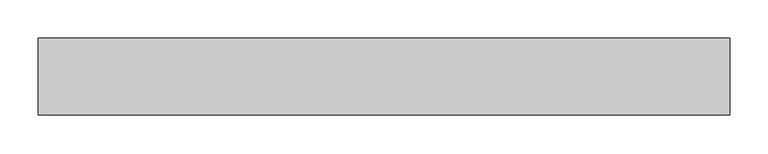
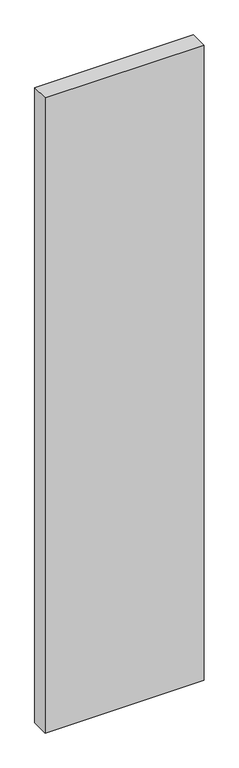
"""IFC4 building model written with IfcOpenShell, lengths in millimetres: proxy geometry."""

from ifc_helpers import new_model, si_unit, frame, origin, place, context, project, spatial, polyline, outline, extrude, source, transform, mapped, element, save


def generic_models_13878b0a(model_context):
    return source(origin(), model_context, "Body", "SweptSolid", [
        extrude(outline(polyline([(900.0, 100.0), (900.0, 0.0), (0.0, 0.0), (0.0, 100.0), (900.0, 100.0)])), frame((0.0, 0.0, -3800.0), z_axis=(0.0, 0.0, 1.0), x_axis=(1.0, 0.0, 0.0)), (0.0, 0.0, 1.0), 3800.0),
    ])


if __name__ == "__main__":
    model = new_model("IFC4")
    model_context = context("Model", 3, world=origin())
    ifc_project = project(units=[si_unit("LENGTHUNIT", "METRE", prefix="MILLI")], contexts=[model_context])
    site = spatial("IfcSite", under=ifc_project)
    building = spatial("IfcBuilding", under=site)
    placement = place(None, origin())
    generic_models_shape = generic_models_13878b0a(model_context)
    element("IfcBuildingElementProxy", 1, Name="Generic Models", at=placement, inside=building, context=model_context, shape_type="MappedRepresentation", body=[
        mapped(generic_models_shape, transform((0.0, 0.0, 0.0), x_axis=(1.0, 0.0, 0.0), y_axis=(0.0, 1.0, 0.0), z_axis=(0.0, 0.0, 1.0))),
    ])
    save(model, "model.ifc")
